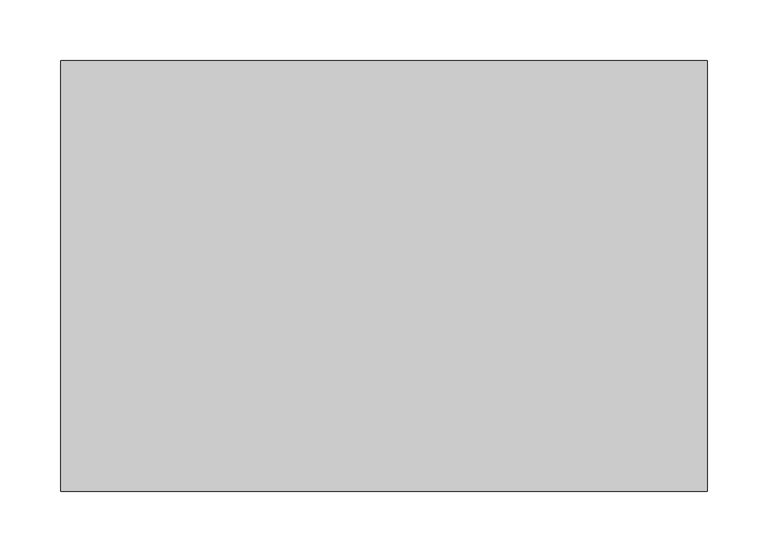
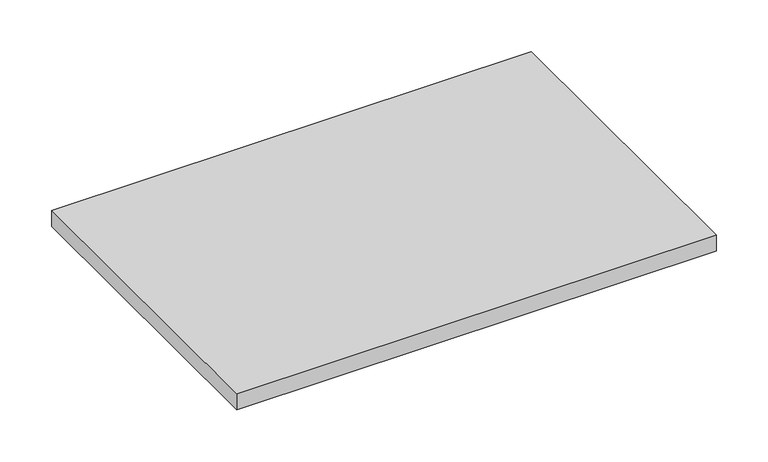
"""IFC4 building model written with IfcOpenShell, lengths in millimetres: furniture geometry."""

from ifc_helpers import new_model, si_unit, frame, origin, place, context, project, spatial, polyline, outline, extrude, source, transform, mapped, element, save


def furniture_81feb7b8(model_context):
    return source(origin(), model_context, "Body", "SweptSolid", [
        extrude(outline(polyline([(228.6, 177.8), (228.6, -177.8), (-304.8, -177.8), (-304.8, 177.8), (228.6, 177.8)])), frame((0.0, 0.0, 472.5416), z_axis=(0.0, 0.0, 1.0), x_axis=(1.0, 0.0, 0.0)), (0.0, 0.0, 1.0), 19.05),
    ])


if __name__ == "__main__":
    model = new_model("IFC4")
    model_context = context("Model", 3, world=origin())
    ifc_project = project(units=[si_unit("LENGTHUNIT", "METRE", prefix="MILLI")], contexts=[model_context])
    site = spatial("IfcSite", under=ifc_project)
    building = spatial("IfcBuilding", under=site)
    placement = place(None, origin())
    furniture_shape = furniture_81feb7b8(model_context)
    element("IfcFurniture", 1, at=placement, inside=building, context=model_context, shape_type="MappedRepresentation", body=[
        mapped(furniture_shape, transform((0.0, 0.0, 0.0), x_axis=(1.0, 0.0, 0.0), y_axis=(0.0, 1.0, 0.0), z_axis=(0.0, 0.0, 1.0))),
    ])
    save(model, "model.ifc")
